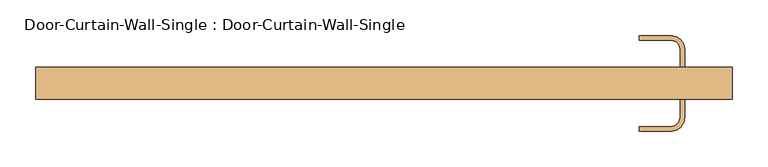
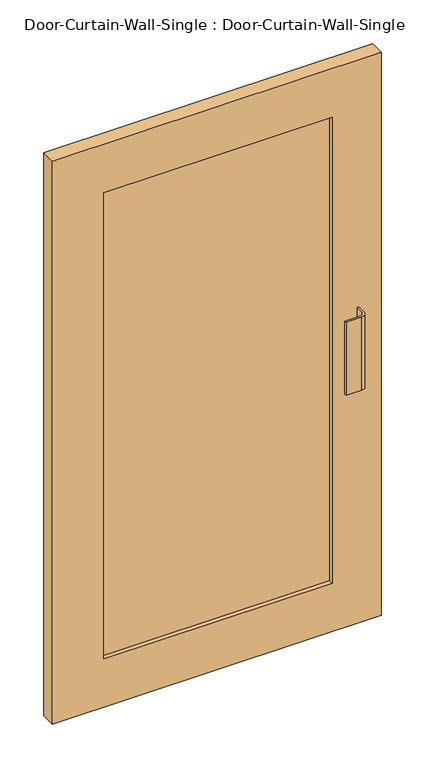
"""IFC4 building model written with IfcOpenShell, lengths in millimetres: door geometry, Door-Curtain-Wall-Single : Door-Curtain-Wall-Single."""

import ifcopenshell
import ifcopenshell.guid

model = None  # the IFC model being written
_history = None  # IfcOwnerHistory: only IFC2X3 demands one
_inside = {}  # id of a spatial element -> (the spatial element, [elements in it])
_under = {}  # id of a project, library or spatial element -> (it, [spatial elements below it])
_declared = {}  # id of a project -> (the project, [libraries it declares])
_typed = {}  # id of a type object -> (the type object, [elements of that type])
_made_of = {}  # id of a material, layer set ... -> (it, [elements and type objects made of it])


def new_model(schema):
    """Start an empty IFC model of exactly this schema.

    Asked for "IFC4X3", IfcOpenShell would pick the latest addendum, in which some entities
    have other attributes; the version numbers below select the first issue.
    IFC2X3 requires an IfcOwnerHistory on every rooted entity: one is made here for all.
    """
    global model, _history
    if schema == "IFC4X3":
        model = ifcopenshell.file(schema_version=(4, 3, 0, 0))
    else:
        model = ifcopenshell.file(schema=schema)
    _inside.clear()
    _under.clear()
    _declared.clear()
    _typed.clear()
    _made_of.clear()
    _history = None
    if model.schema == "IFC2X3":
        org = make("IfcOrganization", Name="unknown")
        user = make(
            "IfcPersonAndOrganization",
            ThePerson=make("IfcPerson", FamilyName="unknown"),
            TheOrganization=org,
        )
        app = make(
            "IfcApplication",
            ApplicationDeveloper=org,
            Version="unknown",
            ApplicationFullName="unknown",
            ApplicationIdentifier="unknown",
        )
        _history = make(
            "IfcOwnerHistory",
            OwningUser=user,
            OwningApplication=app,
            ChangeAction="ADDED",
            CreationDate=0,
        )
    return model


def make(cls, **values):
    """One entity of the class cls with the attributes given. An attribute that is None is left unset."""
    return model.create_entity(
        cls, **{name: value for name, value in values.items() if value is not None}
    )


def rooted(cls, **values):
    """An entity with a GlobalId (a new one), such as an element, a storey or a relation."""
    return make(cls, GlobalId=ifcopenshell.guid.new(), OwnerHistory=_history, **values)


def si_unit(unit_type, name, prefix=None):
    """IfcSIUnit, for example si_unit("LENGTHUNIT", "METRE", prefix="MILLI")."""
    return make("IfcSIUnit", UnitType=unit_type, Prefix=prefix, Name=name)


def assignment(units):
    """IfcUnitAssignment: the units of a project."""
    return None if units is None else make("IfcUnitAssignment", Units=units)


def point(xyz):
    """IfcCartesianPoint."""
    return None if xyz is None else make("IfcCartesianPoint", Coordinates=xyz)


def direction(xyz):
    """IfcDirection."""
    return None if xyz is None else make("IfcDirection", DirectionRatios=xyz)


def frame(location, z_axis=None, x_axis=None):
    """IfcAxis2Placement3D, a coordinate frame: its origin and axes. An axis left out is left unset."""
    return make(
        "IfcAxis2Placement3D",
        Location=point(location),
        Axis=direction(z_axis),
        RefDirection=direction(x_axis),
    )


def frame_2d(location, x_axis=None):
    """IfcAxis2Placement2D, a coordinate frame in the plane: its origin and x axis."""
    return make(
        "IfcAxis2Placement2D", Location=point(location), RefDirection=direction(x_axis)
    )


def origin():
    """The frame at (0, 0, 0) with its axes left unset."""
    return frame((0.0, 0.0, 0.0))


def place(relative_to, where):
    """IfcLocalPlacement: puts the frame where relative to a parent placement (None: the world)."""
    return make(
        "IfcLocalPlacement", PlacementRelTo=relative_to, RelativePlacement=where
    )


def context(
    kind, dimensions, precision=None, world=None, true_north=None, identifier=None
):
    """IfcGeometricRepresentationContext, for example the 3D "Model" context."""
    return make(
        "IfcGeometricRepresentationContext",
        ContextIdentifier=identifier,
        ContextType=kind,
        CoordinateSpaceDimension=dimensions,
        Precision=precision,
        WorldCoordinateSystem=world,
        TrueNorth=true_north,
    )


def project(units=None, contexts=None):
    """IfcProject with its units and contexts."""
    return rooted(
        "IfcProject",
        Name="project",
        RepresentationContexts=contexts,
        UnitsInContext=assignment(units),
    )


def spatial(cls, under=None, at=None, **own):
    """A site, building, storey or space (cls), placed at a placement, below another one or the project."""
    s = rooted(cls, ObjectPlacement=at, **own)
    if under is not None:
        _under.setdefault(under.id(), (under, []))[1].append(s)
    return s


def polyline(points):
    """IfcPolyline through the points."""
    return make("IfcPolyline", Points=[point(p) for p in points])


def circle_curve(where, radius):
    """IfcCircle in the frame where."""
    return make("IfcCircle", Position=where, Radius=radius)


def trimmed(basis, trim1, trim2, sense, master):
    """IfcTrimmedCurve: the piece of a basis curve between two trims."""
    return make(
        "IfcTrimmedCurve",
        BasisCurve=basis,
        Trim1=trim1,
        Trim2=trim2,
        SenseAgreement=sense,
        MasterRepresentation=master,
    )


def segment(curve, same_sense, transition):
    """IfcCompositeCurveSegment."""
    return make(
        "IfcCompositeCurveSegment",
        Transition=transition,
        SameSense=same_sense,
        ParentCurve=curve,
    )


def composite_curve(segments, self_intersect=None):
    """IfcCompositeCurve: segments joined end to end."""
    return make("IfcCompositeCurve", Segments=segments, SelfIntersect=self_intersect)


def outline(outer, holes=None, kind="AREA"):
    """IfcArbitraryClosedProfileDef: a profile drawn as a closed curve; with holes, ...WithVoids."""
    if holes is None:
        return make("IfcArbitraryClosedProfileDef", ProfileType=kind, OuterCurve=outer)
    return make(
        "IfcArbitraryProfileDefWithVoids",
        ProfileType=kind,
        OuterCurve=outer,
        InnerCurves=holes,
    )


def extrude(swept, where, along, depth):
    """IfcExtrudedAreaSolid: the profile swept, set in the frame where, extruded along a direction by depth."""
    return make(
        "IfcExtrudedAreaSolid",
        SweptArea=swept,
        Position=where,
        ExtrudedDirection=direction(along),
        Depth=depth,
    )


def shape(context_of_items, identifier, shape_type, items):
    """IfcShapeRepresentation: the items that make up one representation, for example the "Body"."""
    return make(
        "IfcShapeRepresentation",
        ContextOfItems=context_of_items,
        RepresentationIdentifier=identifier,
        RepresentationType=shape_type,
        Items=items,
    )


def source(mapping_origin, context_of_items, identifier, shape_type, items):
    """IfcRepresentationMap: a shape defined once, which mapped items show again and again."""
    return make(
        "IfcRepresentationMap",
        MappingOrigin=mapping_origin,
        MappedRepresentation=shape(context_of_items, identifier, shape_type, items),
    )


def transform(
    local_origin,
    x_axis=None,
    y_axis=None,
    z_axis=None,
    scale=None,
    scale2=None,
    scale3=None,
    uniform=True,
):
    """IfcCartesianTransformationOperator3D, or its non-uniform kind. x_axis, y_axis, z_axis: its Axis1, 2, 3."""
    if uniform:
        return make(
            "IfcCartesianTransformationOperator3D",
            Axis1=direction(x_axis),
            Axis2=direction(y_axis),
            LocalOrigin=point(local_origin),
            Scale=scale,
            Axis3=direction(z_axis),
        )
    return make(
        "IfcCartesianTransformationOperator3DnonUniform",
        Axis1=direction(x_axis),
        Axis2=direction(y_axis),
        LocalOrigin=point(local_origin),
        Scale=scale,
        Axis3=direction(z_axis),
        Scale2=scale2,
        Scale3=scale3,
    )


def mapped(mapping_source, mapping_target):
    """IfcMappedItem: shows the shape of a source again, moved by a transform."""
    return make(
        "IfcMappedItem", MappingSource=mapping_source, MappingTarget=mapping_target
    )


def made_of(thing, what):
    """Note that an element or type object is made of a material, layer set ...; save() writes the relation."""
    if what is not None:
        _made_of.setdefault(what.id(), (what, []))[1].append(thing)
    return thing


def element(
    cls,
    number,
    at=None,
    inside=None,
    cuts=None,
    type_object=None,
    material=None,
    context=None,
    identifier="Body",
    shape_type=None,
    held_by="IfcProductDefinitionShape",
    body=None,
    shapes=None,
    **own,
):
    """One element of the class cls, such as IfcWall. Its Tag is "e" and its number.

    at: its placement. inside: the storey or other place that contains it. cuts: it is an
    opening in that element (IfcRelVoidsElement). A single representation is given by context,
    identifier, shape_type and body (its items); several are given by shapes. held_by: the class
    of the entity that holds the representations. save() writes the other relations.
    """
    e = rooted(cls, Tag="e%d" % number, ObjectPlacement=at, **own)
    if body is not None:
        shapes = [shape(context, identifier, shape_type, body)]
    if shapes is not None:
        e.Representation = make(held_by, Representations=shapes)
    if inside is not None:
        _inside.setdefault(inside.id(), (inside, []))[1].append(e)
    if cuts is not None:
        rooted(
            "IfcRelVoidsElement", RelatingBuildingElement=cuts, RelatedOpeningElement=e
        )
    if type_object is not None:
        _typed.setdefault(type_object.id(), (type_object, []))[1].append(e)
    return made_of(e, material)


def aggregate(whole, parts):
    """IfcRelAggregates: a whole, such as a stair, and the parts it consists of."""
    return rooted("IfcRelAggregates", RelatingObject=whole, RelatedObjects=parts)


def save(model, path):
    """Write the relations noted so far, then the file.

    IfcRelAggregates (storeys below a building ...), IfcRelContainedInSpatialStructure (elements
    in a storey), IfcRelDefinesByType, IfcRelAssociatesMaterial and IfcRelDeclares: one each for
    every whole, place, type object, material and project.
    """
    for whole, parts in _under.values():
        aggregate(whole, parts)
    for where, things in _inside.values():
        rooted(
            "IfcRelContainedInSpatialStructure",
            RelatedElements=things,
            RelatingStructure=where,
        )
    for kind, things in _typed.values():
        rooted("IfcRelDefinesByType", RelatedObjects=things, RelatingType=kind)
    for what, things in _made_of.values():
        rooted("IfcRelAssociatesMaterial", RelatedObjects=things, RelatingMaterial=what)
    for by, libraries in _declared.values():
        rooted("IfcRelDeclares", RelatingContext=by, RelatedDefinitions=libraries)
    model.write(path)


def door_curtain_wall_single_door_curtain_wall_single_94b0ac66(model_context):
    return source(origin(), model_context, "Body", "SweptSolid", [
        extrude(outline(polyline([(1764.8, 487.68), (1764.8, -487.68), (0.0, -487.68), (0.0, 487.68), (1764.8, 487.68)]), holes=[polyline([(1612.4, -335.28), (1612.4, 341.63), (152.4, 341.63), (152.4, -335.28), (1612.4, -335.28)])]), frame((0.0, 12.7, 0.0), z_axis=(0.0, 1.0, 0.0), x_axis=(0.0, 0.0, 1.0)), (0.0, 0.0, 1.0), 44.45),
        extrude(outline(polyline([(341.63, 25.4), (-335.28, 25.4), (-335.28, 44.45), (341.63, 44.45), (341.63, 25.4)])), frame((0.0, 0.0, 152.4), z_axis=(0.0, 0.0, 1.0), x_axis=(1.0, 0.0, 0.0)), (0.0, 0.0, 1.0), 1460.0),
        extrude(outline(composite_curve([segment(trimmed(circle_curve(frame_2d((401.955, -12.7)), 19.05), [point((421.005, -12.7))], [point((401.955, -31.75))], False, "CARTESIAN"), True, "CONTINUOUS"), segment(polyline([(401.955, -31.75), (357.505, -31.75), (357.505, -25.4), (401.955, -25.4)]), True, "CONTINUOUS"), segment(trimmed(circle_curve(frame_2d((401.955, -12.7)), 12.7), [point((401.955, -25.4))], [point((414.655, -12.7))], True, "CARTESIAN"), True, "CONTINUOUS"), segment(polyline([(414.655, -12.7), (414.655, 12.7), (421.005, 12.7), (421.005, -12.7)]), True, "CONTINUOUS")], self_intersect=False)), frame((0.0, 0.0, 762.0), z_axis=(0.0, 0.0, 1.0), x_axis=(1.0, 0.0, 0.0)), (0.0, 0.0, 1.0), 228.6),
        extrude(outline(composite_curve([segment(polyline([(421.005, 82.55), (421.005, 57.15), (414.655, 57.15), (414.655, 82.55)]), True, "CONTINUOUS"), segment(trimmed(circle_curve(frame_2d((401.955, 82.55)), 12.7), [point((414.655, 82.55))], [point((401.955, 95.25))], True, "CARTESIAN"), True, "CONTINUOUS"), segment(polyline([(401.955, 95.25), (357.505, 95.25), (357.505, 101.6), (401.955, 101.6)]), True, "CONTINUOUS"), segment(trimmed(circle_curve(frame_2d((401.955, 82.55)), 19.05), [point((401.955, 101.6))], [point((421.005, 82.55))], False, "CARTESIAN"), True, "CONTINUOUS")], self_intersect=False)), frame((0.0, 0.0, 762.0), z_axis=(0.0, 0.0, 1.0), x_axis=(1.0, 0.0, 0.0)), (0.0, 0.0, 1.0), 228.6),
    ])


if __name__ == "__main__":
    model = new_model("IFC4")
    model_context = context("Model", 3, world=origin())
    ifc_project = project(units=[si_unit("LENGTHUNIT", "METRE", prefix="MILLI")], contexts=[model_context])
    site = spatial("IfcSite", under=ifc_project)
    building = spatial("IfcBuilding", under=site)
    placement = place(None, origin())
    door_curtain_wall_single_door_curtain_wall_single_shape = door_curtain_wall_single_door_curtain_wall_single_94b0ac66(model_context)
    element("IfcDoor", 1, ObjectType="Door-Curtain-Wall-Single : Door-Curtain-Wall-Single", at=placement, inside=building, context=model_context, shape_type="MappedRepresentation", body=[
        mapped(door_curtain_wall_single_door_curtain_wall_single_shape, transform((0.0, 0.0, 0.0), x_axis=(1.0, 0.0, 0.0), y_axis=(0.0, 1.0, 0.0), z_axis=(0.0, 0.0, 1.0))),
    ])
    save(model, "model.ifc")
